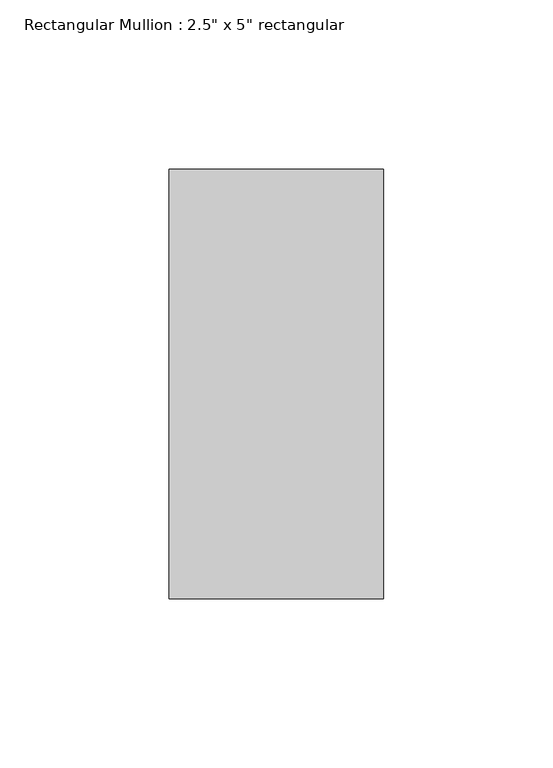
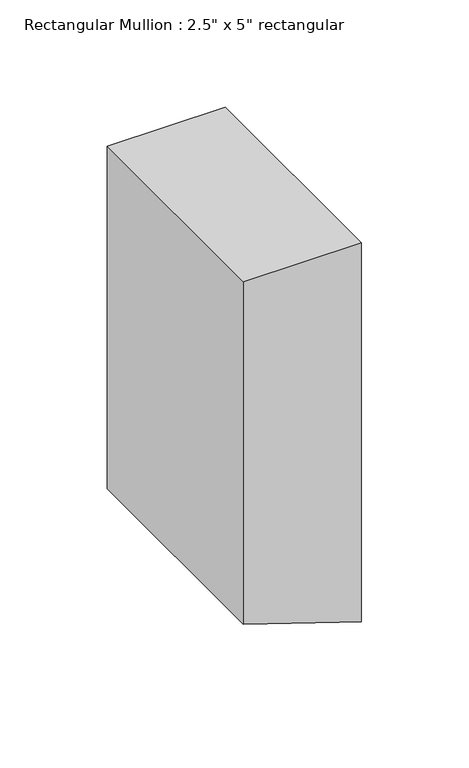
"""IFC4 building model written with IfcOpenShell, lengths in millimetres: member geometry."""

from ifc_helpers import new_model, si_unit, frame, origin, place, context, project, spatial, polyline, outline, extrude, source, transform, mapped, element, save


def member_52cbff87(model_context):
    return source(origin(), model_context, "Body", "SweptSolid", [
        extrude(outline(polyline([(0.0, 31.75), (0.0, -31.75), (-195.0316231, -31.75), (-211.926992, 19.7828002), (-215.8505175, 31.75), (0.0, 31.75)])), frame((0.0, -63.5, 0.0), z_axis=(0.0, 1.0, 0.0), x_axis=(0.0, 0.0, 1.0)), (0.0, 0.0, 1.0), 127.0),
    ])


if __name__ == "__main__":
    model = new_model("IFC4")
    model_context = context("Model", 3, world=origin())
    ifc_project = project(units=[si_unit("LENGTHUNIT", "METRE", prefix="MILLI")], contexts=[model_context])
    site = spatial("IfcSite", under=ifc_project)
    building = spatial("IfcBuilding", under=site)
    placement = place(None, origin())
    member_shape = member_52cbff87(model_context)
    element("IfcMember", 1, ObjectType="Rectangular Mullion : 2.5\" x 5\" rectangular", at=placement, inside=building, context=model_context, shape_type="MappedRepresentation", body=[
        mapped(member_shape, transform((0.0, 0.0, 0.0), x_axis=(1.0, 0.0, 0.0), y_axis=(0.0, 1.0, 0.0), z_axis=(0.0, 0.0, 1.0))),
    ])
    save(model, "model.ifc")
